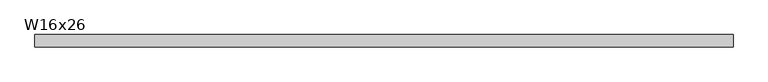
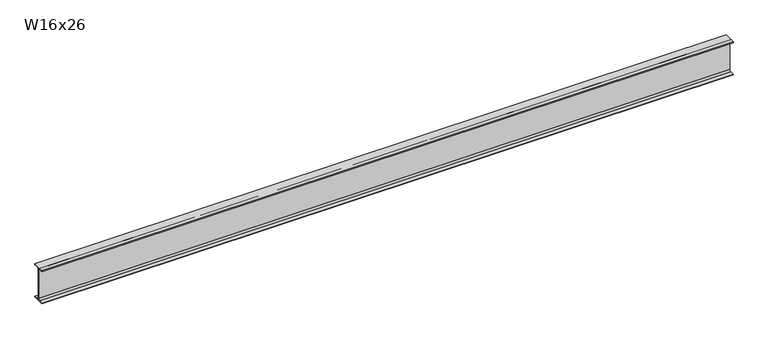
"""IFC4 building model written with IfcOpenShell, lengths in millimetres: beam geometry, W16x26."""

from ifc_helpers import new_model, si_unit, point, frame, frame_2d, origin, place, context, project, spatial, polyline, circle_curve, trimmed, segment, composite_curve, outline, extrude, source, transform, mapped, element, save


def w16x26_43962b09(model_context):
    return source(origin(), model_context, "Body", "SweptSolid", [
        extrude(outline(composite_curve([segment(polyline([(69.85, -190.627), (69.85, -199.39), (-69.85, -199.39), (-69.85, -190.627), (-21.3995, -190.627)]), True, "CONTINUOUS"), segment(trimmed(circle_curve(frame_2d((-21.3995, -172.4025)), 18.2245), [point((-21.3995, -190.627))], [point((-3.175, -172.4025))], True, "CARTESIAN"), True, "CONTINUOUS"), segment(polyline([(-3.175, -172.4025), (-3.175, 172.4025)]), True, "CONTINUOUS"), segment(trimmed(circle_curve(frame_2d((-21.3995, 172.4025)), 18.2245), [point((-3.175, 172.4025))], [point((-21.3995, 190.627))], True, "CARTESIAN"), True, "CONTINUOUS"), segment(polyline([(-21.3995, 190.627), (-69.85, 190.627), (-69.85, 199.39), (69.85, 199.39), (69.85, 190.627), (21.3995, 190.627)]), True, "CONTINUOUS"), segment(trimmed(circle_curve(frame_2d((21.3995, 172.4025)), 18.2245), [point((21.3995, 190.627))], [point((3.175, 172.4025))], True, "CARTESIAN"), True, "CONTINUOUS"), segment(polyline([(3.175, 172.4025), (3.175, -172.4025)]), True, "CONTINUOUS"), segment(trimmed(circle_curve(frame_2d((21.3995, -172.4025)), 18.2245), [point((3.175, -172.4025))], [point((21.3995, -190.627))], True, "CARTESIAN"), True, "CONTINUOUS"), segment(polyline([(21.3995, -190.627), (69.85, -190.627)]), True, "CONTINUOUS")], self_intersect=False)), frame((-3949.6999994, 0.0, 0.0), z_axis=(1.0, 0.0, 0.0), x_axis=(0.0, 1.0, 0.0)), (0.0, 0.0, 1.0), 7899.3999988),
    ])


if __name__ == "__main__":
    model = new_model("IFC4")
    model_context = context("Model", 3, world=origin())
    ifc_project = project(units=[si_unit("LENGTHUNIT", "METRE", prefix="MILLI")], contexts=[model_context])
    site = spatial("IfcSite", under=ifc_project)
    building = spatial("IfcBuilding", under=site)
    placement = place(None, origin())
    w16x26_shape = w16x26_43962b09(model_context)
    element("IfcBeam", 1, ObjectType="W16x26", at=placement, inside=building, context=model_context, shape_type="MappedRepresentation", body=[
        mapped(w16x26_shape, transform((0.0, 0.0, 0.0), x_axis=(1.0, 0.0, 0.0), y_axis=(0.0, 1.0, 0.0), z_axis=(0.0, 0.0, 1.0))),
    ])
    save(model, "model.ifc")
